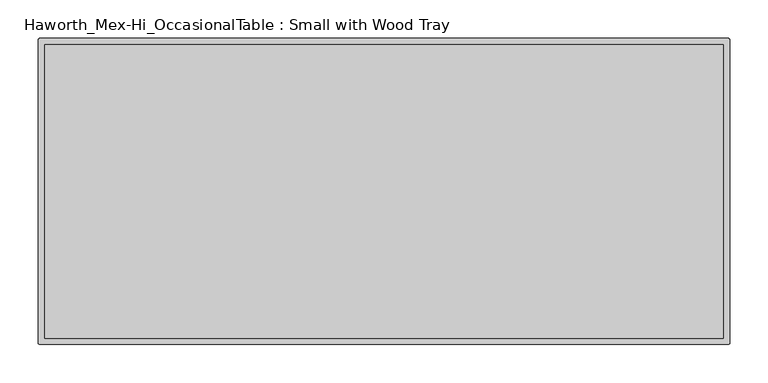
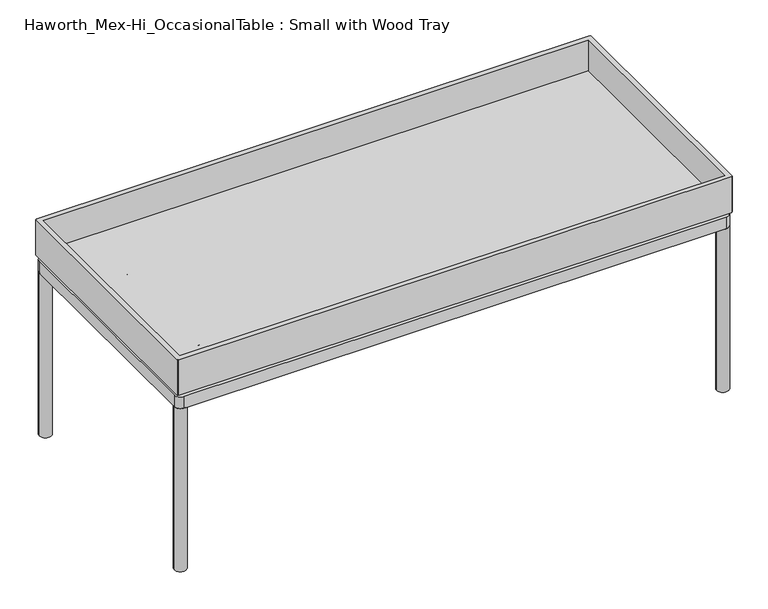
"""IFC4 building model written with IfcOpenShell, lengths in millimetres: furniture geometry, Haworth_Mex-Hi_OccasionalTable : Small with Wood Tray."""

from ifc_helpers import new_model, si_unit, point, frame, frame_2d, origin, place, context, project, spatial, polyline, circle_curve, trimmed, segment, composite_curve, outline, extrude, faceted_brep, source, transform, mapped, element, save
from ifc_brep_helpers import plane_surface, cylinder_surface, revolved_surface, advanced_brep


def haworth_mex_hi_occasionaltable_small_with_wood_tray_2f7329a7(model_context):
    return source(origin(), model_context, "Body", "SolidModel", [
        faceted_brep([(286.138652, -100.7058931, 312.629295), (-597.0292283, -100.7058931, 312.629295), (-597.0292283, -483.4941069, 312.629295), (286.138652, -483.4941069, 312.629295), (-604.0257852, -92.71, 304.6322333), (293.1352089, -92.71, 304.6322333), (293.1352089, -93.7095032, 304.6322333), (294.1347118, -93.7095032, 304.6322333), (294.1347118, -490.4904973, 304.6322333), (293.1352089, -490.4904973, 304.6322333), (293.1352089, -491.49, 304.6322333), (-604.0257852, -491.49, 304.6322333), (-604.0257852, -490.4904973, 304.6322333), (-605.0252882, -490.4904973, 304.6322333), (-605.0252882, -93.7095032, 304.6322333), (-604.0257852, -93.7095032, 304.6322333), (-605.0252882, -490.4904973, 365.5932511), (-604.0257852, -490.4904973, 365.5932511), (-604.0257852, -491.49, 365.5932511), (293.1352089, -491.49, 365.5932511), (293.1352089, -490.4904973, 365.5932511), (294.1347118, -490.4904973, 365.5932511), (294.1347118, -93.7095032, 365.5932511), (293.1352089, -93.7095032, 365.5932511), (293.1352089, -92.7098702, 365.5932511), (-604.0257852, -92.7100002, 365.5932511), (-604.0257852, -93.7095032, 365.5932511), (-605.0252882, -93.7095032, 365.5932511), (-597.0292283, -100.7058931, 365.5932511), (286.138652, -100.7058931, 365.5932511), (286.138652, -483.4941069, 365.5932511), (-597.0292283, -483.4941069, 365.5932511)], [[[0, 1, 2, 3]], [[4, 5, 6, 7, 8, 9, 10, 11, 12, 13, 14, 15]], [[16, 17, 18, 19, 20, 21, 22, 23, 24, 25, 26, 27], [28, 29, 30, 31]], [[29, 28, 1, 0]], [[30, 29, 0, 3]], [[31, 30, 3, 2]], [[28, 31, 2, 1]], [[4, 15, 26, 25]], [[26, 15, 14, 27]], [[27, 14, 13, 16]], [[16, 13, 12, 17]], [[17, 12, 11, 18]], [[18, 11, 10, 19]], [[19, 10, 9, 20]], [[20, 9, 8, 21]], [[21, 8, 7, 22]], [[22, 7, 6, 23]], [[23, 6, 5, 24]], [[24, 5, 4, 25]]]),
        extrude(outline(composite_curve([segment(trimmed(circle_curve(frame_2d((-593.0838099, -104.6599879)), 1.9413078), [point((-595.0251177, -104.6599879))], [point((-593.0838099, -102.7186802))], False, "CARTESIAN"), True, "CONTINUOUS"), segment(polyline([(-593.0838099, -102.7186802), (282.1309315, -102.7186802)]), True, "CONTINUOUS"), segment(trimmed(circle_curve(frame_2d((282.1309315, -104.7258089)), 2.0071288), [point((282.1309315, -102.7186802))], [point((284.1380603, -104.7258089))], False, "CARTESIAN"), True, "CONTINUOUS"), segment(polyline([(284.1380603, -104.7258089), (284.1380603, -479.5002885)]), True, "CONTINUOUS"), segment(trimmed(circle_curve(frame_2d((282.1363356, -479.5002885)), 2.0017246), [point((284.1380603, -479.5002885))], [point((282.1363356, -481.5020131))], False, "CARTESIAN"), True, "CONTINUOUS"), segment(polyline([(282.1363356, -481.5020131), (-595.0251177, -481.5020131), (-595.0251177, -104.6599879)]), True, "CONTINUOUS")], self_intersect=False)), frame((0.0, 0.0, 299.6294223), z_axis=(0.0, 0.0, 1.0), x_axis=(1.0, 0.0, 0.0)), (0.0, 0.0, 1.0), 5.002811),
        advanced_brep(
        [(267.1276141, -117.6971264, 299.6294223), (-578.0202636, -117.6971264, 299.6294223), (-580.0466715, -119.7235343, 299.6294223), (-580.0466715, -464.4689461, 299.6294223), (-577.992051, -466.5235669, 299.6294223), (267.1579775, -466.5237486, 299.6294223), (269.1599045, -464.5218208, 299.6294223), (269.1596141, -119.7291258, 299.6294223), (-565.0231699, -451.5072233, 299.6294223), (-565.0231699, -132.7136516, 299.6294223), (-532.7626081, -132.7136631, 299.6294223), (-532.7626081, -451.5072042, 299.6294223), (-502.5025365, -132.7136738, 299.6294223), (182.0869602, -132.7139167, 299.6294223), (182.0869602, -451.5072042, 299.6294223), (-502.5025365, -451.5072039, 299.6294223), (254.1361125, -451.506969, 299.6294223), (212.3470318, -451.506982, 299.6294223), (212.3470318, -132.7136631, 299.6294223), (254.1358218, -132.7139423, 299.6294223), (267.1276141, -117.6971264, 279.6326959), (269.1596141, -119.7291258, 279.6326959), (269.1599045, -464.5218208, 279.6326959), (267.1579775, -466.5237486, 279.6326959), (-577.992051, -466.5235669, 279.6326959), (-580.0466715, -464.4689461, 279.6326959), (-580.0466715, -119.7235343, 279.6326959), (-578.0202636, -117.6971264, 279.6326959), (254.1361125, -451.506969, 279.6326959), (254.1358218, -132.7139423, 279.6326959), (212.3470318, -132.7139275, 279.6326959), (212.3470318, -451.5072042, 279.6326959), (-565.0231699, -451.5072233, 279.6326959), (-532.7626081, -451.5072133, 279.6326959), (-532.7626081, -132.7136631, 279.6326959), (-565.0231699, -132.7136516, 279.6326959), (182.0869602, -132.7139167, 279.6326959), (-502.5025365, -132.7136738, 279.6326959), (-502.5025365, -451.5072042, 279.6326959), (182.0869602, -451.5069914, 279.6326959)],
        [
            (0, 1),
            (1, 2, circle_curve(frame((-578.0202636, -119.7235343, 299.6294223), z_axis=(0.0, 0.0, 1.0), x_axis=(1.0, 0.0, 0.0)), 2.0264079)),
            (2, 3),
            (3, 4, circle_curve(frame((-577.9920507, -464.4689461, 299.6294223), z_axis=(0.0, 0.0, 1.0), x_axis=(1.0, 0.0, 0.0)), 2.0546208)),
            (4, 5),
            (5, 6, circle_curve(frame((267.1579772, -464.5218214, 299.6294223), z_axis=(0.0, 0.0, 1.0), x_axis=(1.0, 0.0, 0.0)), 2.0019272)),
            (6, 7),
            (7, 0, circle_curve(frame((267.1276141, -119.7291264, 299.6294223), z_axis=(0.0, 0.0, 1.0), x_axis=(1.0, 0.0, 0.0)), 2.032)),
            (8, 9),
            (9, 10),
            (10, 11),
            (11, 8),
            (12, 13),
            (13, 14),
            (14, 15),
            (15, 12),
            (16, 17),
            (17, 18),
            (18, 19),
            (19, 16),
            (20, 21, circle_curve(frame((267.1276141, -119.7291264, 279.6326959), z_axis=(0.0, 0.0, -1.0), x_axis=(1.0, 0.0, 0.0)), 2.032)),
            (21, 22),
            (22, 23, circle_curve(frame((267.1579772, -464.5218214, 279.6326959), z_axis=(0.0, 0.0, -1.0), x_axis=(1.0, 0.0, 0.0)), 2.0019272)),
            (23, 24),
            (24, 25, circle_curve(frame((-577.9920507, -464.4689461, 279.6326959), z_axis=(0.0, 0.0, -1.0), x_axis=(1.0, 0.0, 0.0)), 2.0546208)),
            (25, 26),
            (26, 27, circle_curve(frame((-578.0202636, -119.7235343, 279.6326959), z_axis=(0.0, 0.0, -1.0), x_axis=(1.0, 0.0, 0.0)), 2.0264079)),
            (27, 20),
            (28, 29),
            (29, 30),
            (30, 31),
            (31, 28),
            (32, 33),
            (33, 34),
            (34, 35),
            (35, 32),
            (36, 37),
            (37, 38),
            (38, 39),
            (39, 36),
            (0, 20),
            (27, 1),
            (26, 2),
            (25, 3),
            (24, 4),
            (23, 5),
            (22, 6),
            (21, 7),
            (8, 32),
            (35, 9),
            (12, 37),
            (36, 13),
            (34, 10),
            (29, 19),
            (18, 30),
            (28, 16),
            (14, 39),
            (38, 15),
            (11, 33),
            (31, 17),
        ],
        [
            plane_surface(frame((-578.0202636, -117.6971264, 299.6294223), z_axis=(0.0, 0.0, 1.0), x_axis=(-1.0, 0.0, 0.0))),
            plane_surface(frame((-578.0202636, -117.6971264, 279.6326959), z_axis=(0.0, 0.0, -1.0), x_axis=(1.0, 0.0, 0.0))),
            plane_surface(frame((267.1276141, -117.6971264, 299.6294223), z_axis=(0.0, 1.0, 0.0), x_axis=(0.0, 0.0, -1.0))),
            cylinder_surface(frame((-578.0202636, -119.7235343, 279.6326959), z_axis=(0.0, 0.0, 1.0), x_axis=(1.0, 0.0, 0.0)), 2.0264079),
            plane_surface(frame((-580.0466715, -119.7235343, 299.6294223), z_axis=(-1.0, 0.0, 0.0), x_axis=(0.0, 0.0, -1.0))),
            cylinder_surface(frame((-577.9920507, -464.4689461, 279.6326959), z_axis=(0.0, 0.0, 1.0), x_axis=(1.0, 0.0, 0.0)), 2.0546208),
            plane_surface(frame((-577.992051, -466.5235669, 299.6294223), z_axis=(-2.1495107938605697e-07, -0.9999999999999769, 0.0), x_axis=(0.0, 0.0, -1.0))),
            cylinder_surface(frame((267.1579772, -464.5218214, 279.6326959), z_axis=(0.0, 0.0, 1.0), x_axis=(1.0, 0.0, 0.0)), 2.0019272),
            plane_surface(frame((269.1599045, -464.5218208, 299.6294223), z_axis=(0.9999999999996454, 8.421789670458425e-07, 0.0), x_axis=(0.0, 0.0, -1.0))),
            cylinder_surface(frame((267.1276141, -119.7291264, 279.6326959), z_axis=(0.0, 0.0, 1.0), x_axis=(1.0, 0.0, 0.0)), 2.032),
            plane_surface(frame((-565.0231699, -451.5072233, 299.6294223), z_axis=(1.0, 0.0, 0.0), x_axis=(0.0, 0.0, -1.0))),
            plane_surface(frame((-565.0231699, -132.7136516, 299.6294223), z_axis=(-3.5485165641990404e-07, -0.999999999999937, 0.0), x_axis=(0.0, 0.0, -1.0))),
            plane_surface(frame((254.1358218, -132.7139423, 299.6294223), z_axis=(-0.9999999999995843, -9.118139700497618e-07, 0.0), x_axis=(0.0, 0.0, -1.0))),
            plane_surface(frame((254.1361125, -451.506969, 299.6294223), z_axis=(-3.104950969437019e-07, 0.9999999999999518, 0.0), x_axis=(0.0, 0.0, -1.0))),
            plane_surface(frame((-532.7626081, -132.7136631, 299.6294223), z_axis=(-1.0, 0.0, 0.0), x_axis=(0.0, 0.0, -1.0))),
            plane_surface(frame((-502.5025365, -451.5072042, 299.6294223), z_axis=(1.0, 0.0, 0.0), x_axis=(0.0, 0.0, -1.0))),
            plane_surface(frame((182.0869602, -132.7136631, 299.6294223), z_axis=(-1.0, 0.0, 0.0), x_axis=(0.0, 0.0, -1.0))),
            plane_surface(frame((212.3470318, -451.5072042, 299.6294223), z_axis=(1.0, 0.0, 0.0), x_axis=(0.0, 0.0, -1.0))),
        ],
        [
            (0, [[1, 2, 3, 4, 5, 6, 7, 8], [9, 10, 11, 12], [13, 14, 15, 16], [17, 18, 19, 20]]),
            (1, [[21, 22, 23, 24, 25, 26, 27, 28], [29, 30, 31, 32], [33, 34, 35, 36], [37, 38, 39, 40]]),
            (2, [[-1, 41, -28, 42]]),
            (3, [[-2, -42, -27, 43]]),
            (4, [[-3, -43, -26, 44]]),
            (5, [[-4, -44, -25, 45]]),
            (6, [[-5, -45, -24, 46]]),
            (7, [[-6, -46, -23, 47]]),
            (8, [[-7, -47, -22, 48]]),
            (9, [[-8, -48, -21, -41]]),
            (10, [[-9, 49, -36, 50]]),
            (11, [[-13, 51, -37, 52]]),
            (11, [[-50, -35, 53, -10]]),
            (11, [[54, -19, 55, -30]]),
            (12, [[-20, -54, -29, 56]]),
            (13, [[-15, 57, -39, 58]]),
            (13, [[-49, -12, 59, -33]]),
            (13, [[-56, -32, 60, -17]]),
            (14, [[-11, -53, -34, -59]]),
            (15, [[-16, -58, -38, -51]]),
            (16, [[-14, -52, -40, -57]]),
            (17, [[-18, -60, -31, -55]]),
        ],
    ),
        extrude(outline(composite_curve([segment(trimmed(circle_curve(frame_2d((-534.0870283, -218.2183995)), 0.8405923), [point((-533.7147282, -218.9720493))], [point((-534.7862746, -218.6849293))], False, "CARTESIAN"), True, "CONTINUOUS"), segment(trimmed(circle_curve(frame_2d((-515.5508304, -202.6946527)), 25.0138214), [point((-534.7862746, -218.6849293))], [point((-539.0165383, -211.3578977))], False, "CARTESIAN"), True, "CONTINUOUS"), segment(trimmed(circle_curve(frame_2d((-538.0414872, -211.046606)), 1.0235365), [point((-539.0165383, -211.3578977))], [point((-538.6155102, -210.1991836))], False, "CARTESIAN"), True, "CONTINUOUS"), segment(trimmed(circle_curve(frame_2d((-558.9358484, -180.2005415)), 36.2330605), [point((-538.6155102, -210.1991836))], [point((-522.7960931, -182.7991496))], True, "CARTESIAN"), True, "CONTINUOUS"), segment(trimmed(circle_curve(frame_2d((-521.7765383, -182.8724601)), 1.0221871), [point((-522.7960931, -182.7991496))], [point((-521.9854206, -181.8718429))], False, "CARTESIAN"), True, "CONTINUOUS"), segment(trimmed(circle_curve(frame_2d((-517.7628586, -202.0993497)), 20.6635442), [point((-521.9854206, -181.8718429))], [point((-513.5402966, -181.8718429))], False, "CARTESIAN"), True, "CONTINUOUS"), segment(trimmed(circle_curve(frame_2d((-513.7492648, -182.872872)), 1.0226079), [point((-513.5402966, -181.8718429))], [point((-512.7292996, -182.7994026))], False, "CARTESIAN"), True, "CONTINUOUS"), segment(trimmed(circle_curve(frame_2d((-477.3402021, -180.6341833)), 35.4552732), [point((-512.7292996, -182.7994026))], [point((-496.9098857, -210.1994311))], True, "CARTESIAN"), True, "CONTINUOUS"), segment(trimmed(circle_curve(frame_2d((-497.4226157, -211.0249738)), 0.971809), [point((-496.9098857, -210.1994311))], [point((-496.5128177, -211.366559))], False, "CARTESIAN"), True, "CONTINUOUS"), segment(trimmed(circle_curve(frame_2d((-520.6585547, -202.3010012)), 25.79149), [point((-496.5128177, -211.366559))], [point((-500.7346829, -218.6790439))], False, "CARTESIAN"), True, "CONTINUOUS"), segment(trimmed(circle_curve(frame_2d((-501.4793666, -218.0668907)), 0.9639946), [point((-500.7346829, -218.6790439))], [point((-501.810989, -218.9720493))], False, "CARTESIAN"), True, "CONTINUOUS"), segment(trimmed(circle_curve(frame_2d((-517.7628586, -251.2635341)), 36.0166924), [point((-501.810989, -218.9720493))], [point((-533.7147282, -218.9720493))], True, "CARTESIAN"), True, "CONTINUOUS")], self_intersect=False)), frame((0.0, 0.0, 262.0888903), z_axis=(0.0, 0.0, 1.0), x_axis=(1.0, 0.0, 0.0)), (0.0, 0.0, 1.0), 9.7910462),
        advanced_brep(
        [(-514.9911897, -203.9720928, 306.9117903), (-520.5342368, -203.9720928, 306.9117903), (-513.770496, -203.9720928, 305.6617757), (-521.7549305, -203.9720928, 305.6617757)],
        [
            (0, 1, circle_curve(frame((-517.7627133, -203.9720928, 306.9117903), z_axis=(0.0, 0.0, 1.0), x_axis=(1.0, 0.0, 0.0)), 2.7715235)),
            (1, 0, circle_curve(frame((-517.7627133, -203.9720928, 306.9117903), z_axis=(0.0, 0.0, 1.0), x_axis=(-1.0, 0.0, 0.0)), 2.7715235)),
            (2, 3, circle_curve(frame((-517.7627133, -203.9720928, 305.6617757), z_axis=(0.0, 0.0, -1.0), x_axis=(-1.0, 0.0, 0.0)), 3.9922173)),
            (3, 2, circle_curve(frame((-517.7627133, -203.9720928, 305.6617757), z_axis=(0.0, 0.0, -1.0), x_axis=(1.0, 0.0, 0.0)), 3.9922173)),
            (2, 0),
            (1, 3),
        ],
        [
            plane_surface(frame((-517.7627133, -203.9720928, 306.9117903), z_axis=(0.0, 0.0, 1.0), x_axis=(0.0, 1.0, 0.0))),
            plane_surface(frame((-517.7627133, -203.9720928, 305.6617757), z_axis=(0.0, 0.0, -1.0), x_axis=(0.0, 1.0, 0.0))),
            revolved_surface(polyline([(-520.5342367626376, -203.9720928, 306.9117903), (-521.7549305, -203.9720928, 305.6617757)]), (-517.7627133, -203.9720928, 309.7498853), (0.0, 0.0, -1.0)),
            revolved_surface(polyline([(-514.9911897679392, -203.9720928, 306.9117903), (-513.770496, -203.9720928, 305.6617757)]), (-517.7627133, -203.9720928, 309.7498853), (0.0, 0.0, -1.0)),
        ],
        [
            (0, [[1, 2]]),
            (1, [[3, 4]]),
            (2, [[-3, 5, -2, 6]]),
            (3, [[-4, -6, -1, -5]]),
        ],
    ),
        extrude(outline(composite_curve([segment(trimmed(circle_curve(frame_2d((-517.7627133, -203.9720928)), 3.9922173), [point((-513.770496, -203.9720928))], [point((-521.7549305, -203.9720928))], False, "CARTESIAN"), True, "CONTINUOUS"), segment(trimmed(circle_curve(frame_2d((-517.7627133, -203.9720928)), 3.9922173), [point((-521.7549305, -203.9720928))], [point((-513.770496, -203.9720928))], False, "CARTESIAN"), True, "CONTINUOUS")], self_intersect=False)), frame((0.0, 0.0, 267.0639864), z_axis=(0.0, 0.0, 1.0), x_axis=(1.0, 0.0, 0.0)), (0.0, 0.0, 1.0), 38.5901772),
        extrude(outline(composite_curve([segment(trimmed(circle_curve(frame_2d((-517.7627133, -203.9720928)), 9.4525726), [point((-508.3101406, -203.9720928))], [point((-527.2152859, -203.9720928))], False, "CARTESIAN"), True, "CONTINUOUS"), segment(trimmed(circle_curve(frame_2d((-517.7627133, -203.9720928)), 9.4525726), [point((-527.2152859, -203.9720928))], [point((-508.3101406, -203.9720928))], False, "CARTESIAN"), True, "CONTINUOUS")], self_intersect=False)), frame((0.0, 0.0, 296.9633605), z_axis=(0.0, 0.0, 1.0), x_axis=(1.0, 0.0, 0.0)), (0.0, 0.0, 1.0), 5.0787766),
        extrude(outline(composite_curve([segment(trimmed(circle_curve(frame_2d((-517.7627133, -203.9720928)), 9.4525726), [point((-508.3101406, -203.9720928))], [point((-527.2152859, -203.9720928))], False, "CARTESIAN"), True, "CONTINUOUS"), segment(trimmed(circle_curve(frame_2d((-517.7627133, -203.9720928)), 9.4525726), [point((-527.2152859, -203.9720928))], [point((-508.3101406, -203.9720928))], False, "CARTESIAN"), True, "CONTINUOUS")], self_intersect=False)), frame((0.0, 0.0, 271.8799365), z_axis=(0.0, 0.0, 1.0), x_axis=(1.0, 0.0, 0.0)), (0.0, 0.0, 1.0), 5.0787766),
        extrude(outline(composite_curve([segment(trimmed(circle_curve(frame_2d((-534.0870283, -418.3687649)), 0.8405923), [point((-533.7147282, -419.1224147))], [point((-534.7862746, -418.8352947))], False, "CARTESIAN"), True, "CONTINUOUS"), segment(trimmed(circle_curve(frame_2d((-515.5508304, -402.8450181)), 25.0138214), [point((-534.7862746, -418.8352947))], [point((-539.0165383, -411.5082631))], False, "CARTESIAN"), True, "CONTINUOUS"), segment(trimmed(circle_curve(frame_2d((-538.0414872, -411.1969714)), 1.0235365), [point((-539.0165383, -411.5082631))], [point((-538.6155102, -410.349549))], False, "CARTESIAN"), True, "CONTINUOUS"), segment(trimmed(circle_curve(frame_2d((-558.9358484, -380.3509069)), 36.2330605), [point((-538.6155102, -410.349549))], [point((-522.7960931, -382.949515))], True, "CARTESIAN"), True, "CONTINUOUS"), segment(trimmed(circle_curve(frame_2d((-521.7765383, -383.0228255)), 1.0221871), [point((-522.7960931, -382.949515))], [point((-521.9854206, -382.0222083))], False, "CARTESIAN"), True, "CONTINUOUS"), segment(trimmed(circle_curve(frame_2d((-517.7628586, -402.2497151)), 20.6635442), [point((-521.9854206, -382.0222083))], [point((-513.5402966, -382.0222083))], False, "CARTESIAN"), True, "CONTINUOUS"), segment(trimmed(circle_curve(frame_2d((-513.7492648, -383.0232374)), 1.0226079), [point((-513.5402966, -382.0222083))], [point((-512.7292996, -382.949768))], False, "CARTESIAN"), True, "CONTINUOUS"), segment(trimmed(circle_curve(frame_2d((-477.3402021, -380.7845487)), 35.4552732), [point((-512.7292996, -382.949768))], [point((-496.9098857, -410.3497965))], True, "CARTESIAN"), True, "CONTINUOUS"), segment(trimmed(circle_curve(frame_2d((-497.4226157, -411.1753392)), 0.971809), [point((-496.9098857, -410.3497965))], [point((-496.5128177, -411.5169244))], False, "CARTESIAN"), True, "CONTINUOUS"), segment(trimmed(circle_curve(frame_2d((-520.6585547, -402.4513666)), 25.79149), [point((-496.5128177, -411.5169244))], [point((-500.7346829, -418.8294093))], False, "CARTESIAN"), True, "CONTINUOUS"), segment(trimmed(circle_curve(frame_2d((-501.4793666, -418.2172561)), 0.9639946), [point((-500.7346829, -418.8294093))], [point((-501.810989, -419.1224147))], False, "CARTESIAN"), True, "CONTINUOUS"), segment(trimmed(circle_curve(frame_2d((-517.7628586, -451.4138995)), 36.0166924), [point((-501.810989, -419.1224147))], [point((-533.7147282, -419.1224147))], True, "CARTESIAN"), True, "CONTINUOUS")], self_intersect=False)), frame((0.0, 0.0, 262.0888903), z_axis=(0.0, 0.0, 1.0), x_axis=(1.0, 0.0, 0.0)), (0.0, 0.0, 1.0), 9.7910462),
        advanced_brep(
        [(-514.9911897, -404.1224582, 306.9117903), (-520.5342368, -404.1224582, 306.9117903), (-513.770496, -404.1224582, 305.6617757), (-521.7549305, -404.1224582, 305.6617757)],
        [
            (0, 1, circle_curve(frame((-517.7627133, -404.1224582, 306.9117903), z_axis=(0.0, 0.0, 1.0), x_axis=(1.0, 0.0, 0.0)), 2.7715235)),
            (1, 0, circle_curve(frame((-517.7627133, -404.1224582, 306.9117903), z_axis=(0.0, 0.0, 1.0), x_axis=(-1.0, 0.0, 0.0)), 2.7715235)),
            (2, 3, circle_curve(frame((-517.7627133, -404.1224582, 305.6617757), z_axis=(0.0, 0.0, -1.0), x_axis=(-1.0, 0.0, 0.0)), 3.9922173)),
            (3, 2, circle_curve(frame((-517.7627133, -404.1224582, 305.6617757), z_axis=(0.0, 0.0, -1.0), x_axis=(1.0, 0.0, 0.0)), 3.9922173)),
            (2, 0),
            (1, 3),
        ],
        [
            plane_surface(frame((-517.7627133, -404.1224582, 306.9117903), z_axis=(0.0, 0.0, 1.0), x_axis=(0.0, 1.0, 0.0))),
            plane_surface(frame((-517.7627133, -404.1224582, 305.6617757), z_axis=(0.0, 0.0, -1.0), x_axis=(0.0, 1.0, 0.0))),
            revolved_surface(polyline([(-520.5342367626376, -404.1224582, 306.9117903), (-521.7549305, -404.1224582, 305.6617757)]), (-517.7627133, -404.1224582, 309.7498853), (0.0, 0.0, -1.0)),
            revolved_surface(polyline([(-514.9911897679392, -404.1224582, 306.9117903), (-513.770496, -404.1224582, 305.6617757)]), (-517.7627133, -404.1224582, 309.7498853), (0.0, 0.0, -1.0)),
        ],
        [
            (0, [[1, 2]]),
            (1, [[3, 4]]),
            (2, [[-3, 5, -2, 6]]),
            (3, [[-4, -6, -1, -5]]),
        ],
    ),
        extrude(outline(composite_curve([segment(trimmed(circle_curve(frame_2d((-517.7627133, -404.1224582)), 3.9922173), [point((-513.770496, -404.1224582))], [point((-521.7549305, -404.1224582))], False, "CARTESIAN"), True, "CONTINUOUS"), segment(trimmed(circle_curve(frame_2d((-517.7627133, -404.1224582)), 3.9922173), [point((-521.7549305, -404.1224582))], [point((-513.770496, -404.1224582))], False, "CARTESIAN"), True, "CONTINUOUS")], self_intersect=False)), frame((0.0, 0.0, 267.0639864), z_axis=(0.0, 0.0, 1.0), x_axis=(1.0, 0.0, 0.0)), (0.0, 0.0, 1.0), 38.5901772),
        extrude(outline(composite_curve([segment(trimmed(circle_curve(frame_2d((-517.7627133, -404.1224582)), 9.4525726), [point((-508.3101406, -404.1224582))], [point((-527.2152859, -404.1224582))], False, "CARTESIAN"), True, "CONTINUOUS"), segment(trimmed(circle_curve(frame_2d((-517.7627133, -404.1224582)), 9.4525726), [point((-527.2152859, -404.1224582))], [point((-508.3101406, -404.1224582))], False, "CARTESIAN"), True, "CONTINUOUS")], self_intersect=False)), frame((0.0, 0.0, 296.9633605), z_axis=(0.0, 0.0, 1.0), x_axis=(1.0, 0.0, 0.0)), (0.0, 0.0, 1.0), 5.0787766),
        extrude(outline(composite_curve([segment(trimmed(circle_curve(frame_2d((-517.7627133, -404.1224582)), 9.4525726), [point((-508.3101406, -404.1224582))], [point((-527.2152859, -404.1224582))], False, "CARTESIAN"), True, "CONTINUOUS"), segment(trimmed(circle_curve(frame_2d((-517.7627133, -404.1224582)), 9.4525726), [point((-527.2152859, -404.1224582))], [point((-508.3101406, -404.1224582))], False, "CARTESIAN"), True, "CONTINUOUS")], self_intersect=False)), frame((0.0, 0.0, 271.8799365), z_axis=(0.0, 0.0, 1.0), x_axis=(1.0, 0.0, 0.0)), (0.0, 0.0, 1.0), 5.0787766),
        extrude(outline(composite_curve([segment(trimmed(circle_curve(frame_2d((197.3472823, -451.4138995)), 36.0166924), [point((213.2991519, -419.1224147))], [point((181.3954127, -419.1224147))], True, "CARTESIAN"), True, "CONTINUOUS"), segment(trimmed(circle_curve(frame_2d((181.0637903, -418.2172561)), 0.9639946), [point((181.3954127, -419.1224147))], [point((180.3191066, -418.8294093))], False, "CARTESIAN"), True, "CONTINUOUS"), segment(trimmed(circle_curve(frame_2d((200.2429784, -402.4513666)), 25.79149), [point((180.3191066, -418.8294093))], [point((176.0972414, -411.5169244))], False, "CARTESIAN"), True, "CONTINUOUS"), segment(trimmed(circle_curve(frame_2d((177.0070394, -411.1753392)), 0.971809), [point((176.0972414, -411.5169244))], [point((176.4943094, -410.3497965))], False, "CARTESIAN"), True, "CONTINUOUS"), segment(trimmed(circle_curve(frame_2d((156.9246258, -380.7845487)), 35.4552732), [point((176.4943094, -410.3497965))], [point((192.3137233, -382.949768))], True, "CARTESIAN"), True, "CONTINUOUS"), segment(trimmed(circle_curve(frame_2d((193.3336885, -383.0232374)), 1.0226079), [point((192.3137233, -382.949768))], [point((193.1247203, -382.0222083))], False, "CARTESIAN"), True, "CONTINUOUS"), segment(trimmed(circle_curve(frame_2d((197.3472823, -402.2497151)), 20.6635442), [point((193.1247203, -382.0222083))], [point((201.5698443, -382.0222083))], False, "CARTESIAN"), True, "CONTINUOUS"), segment(trimmed(circle_curve(frame_2d((201.360962, -383.0228255)), 1.0221871), [point((201.5698443, -382.0222083))], [point((202.3805168, -382.949515))], False, "CARTESIAN"), True, "CONTINUOUS"), segment(trimmed(circle_curve(frame_2d((238.5202721, -380.3509069)), 36.2330605), [point((202.3805168, -382.949515))], [point((218.1999339, -410.349549))], True, "CARTESIAN"), True, "CONTINUOUS"), segment(trimmed(circle_curve(frame_2d((217.6259109, -411.1969714)), 1.0235365), [point((218.1999339, -410.349549))], [point((218.600962, -411.5082631))], False, "CARTESIAN"), True, "CONTINUOUS"), segment(trimmed(circle_curve(frame_2d((195.135254, -402.8450181)), 25.0138214), [point((218.600962, -411.5082631))], [point((214.3706983, -418.8352947))], False, "CARTESIAN"), True, "CONTINUOUS"), segment(trimmed(circle_curve(frame_2d((213.671452, -418.3687649)), 0.8405923), [point((214.3706983, -418.8352947))], [point((213.2991519, -419.1224147))], False, "CARTESIAN"), True, "CONTINUOUS")], self_intersect=False)), frame((0.0, 0.0, 262.0888903), z_axis=(0.0, 0.0, 1.0), x_axis=(1.0, 0.0, 0.0)), (0.0, 0.0, 1.0), 9.7910462),
        advanced_brep(
        [(194.5756134, -404.1224582, 306.9117903), (200.1186605, -404.1224582, 306.9117903), (193.3549197, -404.1224582, 305.6617757), (201.3393542, -404.1224582, 305.6617757)],
        [
            (0, 1, circle_curve(frame((197.347137, -404.1224582, 306.9117903), z_axis=(0.0, 0.0, 1.0), x_axis=(-1.0, 0.0, 0.0)), 2.7715235)),
            (1, 0, circle_curve(frame((197.347137, -404.1224582, 306.9117903), z_axis=(0.0, 0.0, 1.0), x_axis=(1.0, 0.0, 0.0)), 2.7715235)),
            (2, 3, circle_curve(frame((197.347137, -404.1224582, 305.6617757), z_axis=(0.0, 0.0, -1.0), x_axis=(1.0, 0.0, 0.0)), 3.9922173)),
            (3, 2, circle_curve(frame((197.347137, -404.1224582, 305.6617757), z_axis=(0.0, 0.0, -1.0), x_axis=(-1.0, 0.0, 0.0)), 3.9922173)),
            (3, 1),
            (0, 2),
        ],
        [
            plane_surface(frame((197.347137, -404.1224582, 306.9117903), z_axis=(0.0, 0.0, 1.0), x_axis=(0.0, -1.0, 0.0))),
            plane_surface(frame((197.347137, -404.1224582, 305.6617757), z_axis=(0.0, 0.0, -1.0), x_axis=(0.0, -1.0, 0.0))),
            revolved_surface(polyline([(194.57561346793923, -404.1224582, 306.9117903), (193.3549197, -404.1224582, 305.6617757)]), (197.347137, -404.1224582, 309.7498853), (0.0, 0.0, -1.0)),
            revolved_surface(polyline([(200.11866046263762, -404.1224582, 306.9117903), (201.3393542, -404.1224582, 305.6617757)]), (197.347137, -404.1224582, 309.7498853), (0.0, 0.0, -1.0)),
        ],
        [
            (0, [[1, 2]]),
            (1, [[3, 4]]),
            (2, [[-4, 5, -1, 6]]),
            (3, [[-3, -6, -2, -5]]),
        ],
    ),
        extrude(outline(composite_curve([segment(trimmed(circle_curve(frame_2d((197.347137, -404.1224582)), 3.9922173), [point((193.3549197, -404.1224582))], [point((201.3393542, -404.1224582))], False, "CARTESIAN"), True, "CONTINUOUS"), segment(trimmed(circle_curve(frame_2d((197.347137, -404.1224582)), 3.9922173), [point((201.3393542, -404.1224582))], [point((193.3549197, -404.1224582))], False, "CARTESIAN"), True, "CONTINUOUS")], self_intersect=False)), frame((0.0, 0.0, 267.0639864), z_axis=(0.0, 0.0, 1.0), x_axis=(1.0, 0.0, 0.0)), (0.0, 0.0, 1.0), 38.5901772),
        extrude(outline(composite_curve([segment(trimmed(circle_curve(frame_2d((197.347137, -404.1224582)), 9.4525726), [point((187.8945643, -404.1224582))], [point((206.7997096, -404.1224582))], False, "CARTESIAN"), True, "CONTINUOUS"), segment(trimmed(circle_curve(frame_2d((197.347137, -404.1224582)), 9.4525726), [point((206.7997096, -404.1224582))], [point((187.8945643, -404.1224582))], False, "CARTESIAN"), True, "CONTINUOUS")], self_intersect=False)), frame((0.0, 0.0, 296.9633605), z_axis=(0.0, 0.0, 1.0), x_axis=(1.0, 0.0, 0.0)), (0.0, 0.0, 1.0), 5.0787766),
        extrude(outline(composite_curve([segment(trimmed(circle_curve(frame_2d((197.347137, -404.1224582)), 9.4525726), [point((187.8945643, -404.1224582))], [point((206.7997096, -404.1224582))], False, "CARTESIAN"), True, "CONTINUOUS"), segment(trimmed(circle_curve(frame_2d((197.347137, -404.1224582)), 9.4525726), [point((206.7997096, -404.1224582))], [point((187.8945643, -404.1224582))], False, "CARTESIAN"), True, "CONTINUOUS")], self_intersect=False)), frame((0.0, 0.0, 271.8799365), z_axis=(0.0, 0.0, 1.0), x_axis=(1.0, 0.0, 0.0)), (0.0, 0.0, 1.0), 5.0787766),
        extrude(outline(composite_curve([segment(trimmed(circle_curve(frame_2d((197.3472823, -251.2635341)), 36.0166924), [point((213.2991519, -218.9720493))], [point((181.3954127, -218.9720493))], True, "CARTESIAN"), True, "CONTINUOUS"), segment(trimmed(circle_curve(frame_2d((181.0637903, -218.0668907)), 0.9639946), [point((181.3954127, -218.9720493))], [point((180.3191066, -218.6790439))], False, "CARTESIAN"), True, "CONTINUOUS"), segment(trimmed(circle_curve(frame_2d((200.2429784, -202.3010012)), 25.79149), [point((180.3191066, -218.6790439))], [point((176.0972414, -211.366559))], False, "CARTESIAN"), True, "CONTINUOUS"), segment(trimmed(circle_curve(frame_2d((177.0070394, -211.0249738)), 0.971809), [point((176.0972414, -211.366559))], [point((176.4943094, -210.1994311))], False, "CARTESIAN"), True, "CONTINUOUS"), segment(trimmed(circle_curve(frame_2d((156.9246258, -180.6341833)), 35.4552732), [point((176.4943094, -210.1994311))], [point((192.3137233, -182.7994026))], True, "CARTESIAN"), True, "CONTINUOUS"), segment(trimmed(circle_curve(frame_2d((193.3336885, -182.872872)), 1.0226079), [point((192.3137233, -182.7994026))], [point((193.1247203, -181.8718429))], False, "CARTESIAN"), True, "CONTINUOUS"), segment(trimmed(circle_curve(frame_2d((197.3472823, -202.0993497)), 20.6635442), [point((193.1247203, -181.8718429))], [point((201.5698443, -181.8718429))], False, "CARTESIAN"), True, "CONTINUOUS"), segment(trimmed(circle_curve(frame_2d((201.360962, -182.8724601)), 1.0221871), [point((201.5698443, -181.8718429))], [point((202.3805168, -182.7991496))], False, "CARTESIAN"), True, "CONTINUOUS"), segment(trimmed(circle_curve(frame_2d((238.5202721, -180.2005415)), 36.2330605), [point((202.3805168, -182.7991496))], [point((218.1999339, -210.1991836))], True, "CARTESIAN"), True, "CONTINUOUS"), segment(trimmed(circle_curve(frame_2d((217.6259109, -211.046606)), 1.0235365), [point((218.1999339, -210.1991836))], [point((218.600962, -211.3578977))], False, "CARTESIAN"), True, "CONTINUOUS"), segment(trimmed(circle_curve(frame_2d((195.135254, -202.6946527)), 25.0138214), [point((218.600962, -211.3578977))], [point((214.3706983, -218.6849293))], False, "CARTESIAN"), True, "CONTINUOUS"), segment(trimmed(circle_curve(frame_2d((213.671452, -218.2183995)), 0.8405923), [point((214.3706983, -218.6849293))], [point((213.2991519, -218.9720493))], False, "CARTESIAN"), True, "CONTINUOUS")], self_intersect=False)), frame((0.0, 0.0, 262.0888903), z_axis=(0.0, 0.0, 1.0), x_axis=(1.0, 0.0, 0.0)), (0.0, 0.0, 1.0), 9.7910462),
        advanced_brep(
        [(194.5756134, -203.9720928, 306.9117903), (200.1186605, -203.9720928, 306.9117903), (193.3549197, -203.9720928, 305.6617757), (201.3393542, -203.9720928, 305.6617757)],
        [
            (0, 1, circle_curve(frame((197.347137, -203.9720928, 306.9117903), z_axis=(0.0, 0.0, 1.0), x_axis=(-1.0, 0.0, 0.0)), 2.7715235)),
            (1, 0, circle_curve(frame((197.347137, -203.9720928, 306.9117903), z_axis=(0.0, 0.0, 1.0), x_axis=(1.0, 0.0, 0.0)), 2.7715235)),
            (2, 3, circle_curve(frame((197.347137, -203.9720928, 305.6617757), z_axis=(0.0, 0.0, -1.0), x_axis=(1.0, 0.0, 0.0)), 3.9922173)),
            (3, 2, circle_curve(frame((197.347137, -203.9720928, 305.6617757), z_axis=(0.0, 0.0, -1.0), x_axis=(-1.0, 0.0, 0.0)), 3.9922173)),
            (3, 1),
            (0, 2),
        ],
        [
            plane_surface(frame((197.347137, -203.9720928, 306.9117903), z_axis=(0.0, 0.0, 1.0), x_axis=(0.0, -1.0, 0.0))),
            plane_surface(frame((197.347137, -203.9720928, 305.6617757), z_axis=(0.0, 0.0, -1.0), x_axis=(0.0, -1.0, 0.0))),
            revolved_surface(polyline([(194.57561346793923, -203.9720928, 306.9117903), (193.3549197, -203.9720928, 305.6617757)]), (197.347137, -203.9720928, 309.7498853), (0.0, 0.0, -1.0)),
            revolved_surface(polyline([(200.11866046263762, -203.9720928, 306.9117903), (201.3393542, -203.9720928, 305.6617757)]), (197.347137, -203.9720928, 309.7498853), (0.0, 0.0, -1.0)),
        ],
        [
            (0, [[1, 2]]),
            (1, [[3, 4]]),
            (2, [[-4, 5, -1, 6]]),
            (3, [[-3, -6, -2, -5]]),
        ],
    ),
        extrude(outline(composite_curve([segment(trimmed(circle_curve(frame_2d((197.347137, -203.9720928)), 3.9922173), [point((193.3549197, -203.9720928))], [point((201.3393542, -203.9720928))], False, "CARTESIAN"), True, "CONTINUOUS"), segment(trimmed(circle_curve(frame_2d((197.347137, -203.9720928)), 3.9922173), [point((201.3393542, -203.9720928))], [point((193.3549197, -203.9720928))], False, "CARTESIAN"), True, "CONTINUOUS")], self_intersect=False)), frame((0.0, 0.0, 267.0639864), z_axis=(0.0, 0.0, 1.0), x_axis=(1.0, 0.0, 0.0)), (0.0, 0.0, 1.0), 38.5901772),
        extrude(outline(composite_curve([segment(trimmed(circle_curve(frame_2d((197.347137, -203.9720928)), 9.4525726), [point((187.8945643, -203.9720928))], [point((206.7997096, -203.9720928))], False, "CARTESIAN"), True, "CONTINUOUS"), segment(trimmed(circle_curve(frame_2d((197.347137, -203.9720928)), 9.4525726), [point((206.7997096, -203.9720928))], [point((187.8945643, -203.9720928))], False, "CARTESIAN"), True, "CONTINUOUS")], self_intersect=False)), frame((0.0, 0.0, 296.9633605), z_axis=(0.0, 0.0, 1.0), x_axis=(1.0, 0.0, 0.0)), (0.0, 0.0, 1.0), 5.0787766),
        extrude(outline(composite_curve([segment(trimmed(circle_curve(frame_2d((197.347137, -203.9720928)), 9.4525726), [point((187.8945643, -203.9720928))], [point((206.7997096, -203.9720928))], False, "CARTESIAN"), True, "CONTINUOUS"), segment(trimmed(circle_curve(frame_2d((197.347137, -203.9720928)), 9.4525726), [point((206.7997096, -203.9720928))], [point((187.8945643, -203.9720928))], False, "CARTESIAN"), True, "CONTINUOUS")], self_intersect=False)), frame((0.0, 0.0, 271.8799365), z_axis=(0.0, 0.0, 1.0), x_axis=(1.0, 0.0, 0.0)), (0.0, 0.0, 1.0), 5.0787766),
        extrude(outline(composite_curve([segment(trimmed(circle_curve(frame_2d((284.1383509, -481.5020858)), 9.92796), [point((274.2103909, -481.5020858))], [point((294.066311, -481.5020858))], False, "CARTESIAN"), True, "CONTINUOUS"), segment(trimmed(circle_curve(frame_2d((284.1383509, -481.5020858)), 9.92796), [point((294.066311, -481.5020858))], [point((274.2103909, -481.5020858))], False, "CARTESIAN"), True, "CONTINUOUS")], self_intersect=False)), frame((0.0, 0.0, -0.0904009), z_axis=(0.0, 0.0, 1.0), x_axis=(1.0, 0.0, 0.0)), (0.0, 0.0, 1.0), 279.7230968),
        extrude(outline(composite_curve([segment(trimmed(circle_curve(frame_2d((-595.0289272, -481.5020858)), 9.92796), [point((-604.9568873, -481.5020858))], [point((-585.1009672, -481.5020858))], False, "CARTESIAN"), True, "CONTINUOUS"), segment(trimmed(circle_curve(frame_2d((-595.0289272, -481.5020858)), 9.92796), [point((-585.1009672, -481.5020858))], [point((-604.9568873, -481.5020858))], False, "CARTESIAN"), True, "CONTINUOUS")], self_intersect=False)), frame((0.0, 0.0, -0.0904009), z_axis=(0.0, 0.0, 1.0), x_axis=(1.0, 0.0, 0.0)), (0.0, 0.0, 1.0), 279.7230968),
        extrude(outline(composite_curve([segment(trimmed(circle_curve(frame_2d((284.1383509, -102.6979142)), 9.92796), [point((274.2103909, -102.6979142))], [point((294.066311, -102.6979142))], False, "CARTESIAN"), True, "CONTINUOUS"), segment(trimmed(circle_curve(frame_2d((284.1383509, -102.6979142)), 9.92796), [point((294.066311, -102.6979142))], [point((274.2103909, -102.6979142))], False, "CARTESIAN"), True, "CONTINUOUS")], self_intersect=False)), frame((0.0, 0.0, -0.0904009), z_axis=(0.0, 0.0, 1.0), x_axis=(1.0, 0.0, 0.0)), (0.0, 0.0, 1.0), 279.7230968),
        extrude(outline(composite_curve([segment(trimmed(circle_curve(frame_2d((-595.0289272, -102.6979142)), 9.92796), [point((-604.9568873, -102.6979142))], [point((-585.1009672, -102.6979142))], False, "CARTESIAN"), True, "CONTINUOUS"), segment(trimmed(circle_curve(frame_2d((-595.0289272, -102.6979142)), 9.92796), [point((-585.1009672, -102.6979142))], [point((-604.9568873, -102.6979142))], False, "CARTESIAN"), True, "CONTINUOUS")], self_intersect=False)), frame((0.0, 0.0, -0.0904009), z_axis=(0.0, 0.0, 1.0), x_axis=(1.0, 0.0, 0.0)), (0.0, 0.0, 1.0), 279.7230968),
        extrude(outline(composite_curve([segment(trimmed(circle_curve(frame_2d((283.9747118, -102.87)), 10.16), [point((283.9747118, -92.71))], [point((294.1347118, -102.87))], False, "CARTESIAN"), True, "CONTINUOUS"), segment(polyline([(294.1347118, -102.87), (294.1347118, -481.33)]), True, "CONTINUOUS"), segment(trimmed(circle_curve(frame_2d((283.9747118, -481.33)), 10.16), [point((294.1347118, -481.33))], [point((283.9747118, -491.49))], False, "CARTESIAN"), True, "CONTINUOUS"), segment(polyline([(283.9747118, -491.49), (-594.8652882, -491.49)]), True, "CONTINUOUS"), segment(trimmed(circle_curve(frame_2d((-594.8652882, -481.33)), 10.16), [point((-594.8652882, -491.49))], [point((-605.0252882, -481.33))], False, "CARTESIAN"), True, "CONTINUOUS"), segment(polyline([(-605.0252882, -481.33), (-605.0252882, -102.87)]), True, "CONTINUOUS"), segment(trimmed(circle_curve(frame_2d((-594.8652882, -102.87)), 10.16), [point((-605.0252882, -102.87))], [point((-594.8652882, -92.71))], False, "CARTESIAN"), True, "CONTINUOUS"), segment(polyline([(-594.8652882, -92.71), (283.9747118, -92.71)]), True, "CONTINUOUS")], self_intersect=False), holes=[composite_curve([segment(polyline([(-593.0265391, -481.5020131), (282.1363356, -481.5020131)]), True, "CONTINUOUS"), segment(trimmed(circle_curve(frame_2d((282.1363356, -479.5002885)), 2.0017246), [point((282.1363356, -481.5020131))], [point((284.1380603, -479.5002885))], True, "CARTESIAN"), True, "CONTINUOUS"), segment(polyline([(284.1380603, -479.5002885), (284.1380603, -104.7258089)]), True, "CONTINUOUS"), segment(trimmed(circle_curve(frame_2d((282.1309315, -104.7258089)), 2.0071288), [point((284.1380603, -104.7258089))], [point((282.1309315, -102.7186802))], True, "CARTESIAN"), True, "CONTINUOUS"), segment(polyline([(282.1309315, -102.7186802), (-593.0838099, -102.7186802)]), True, "CONTINUOUS"), segment(trimmed(circle_curve(frame_2d((-593.0838099, -104.6599879)), 1.9413078), [point((-593.0838099, -102.7186802))], [point((-595.0251177, -104.6599879))], True, "CARTESIAN"), True, "CONTINUOUS"), segment(polyline([(-595.0251177, -104.6599879), (-595.0251177, -479.5034345)]), True, "CONTINUOUS"), segment(trimmed(circle_curve(frame_2d((-593.0265391, -479.5034345)), 1.9985786), [point((-595.0251177, -479.5034345))], [point((-593.0265391, -481.5020131))], True, "CARTESIAN"), True, "CONTINUOUS")], self_intersect=False)]), frame((0.0, 0.0, 279.6326959), z_axis=(0.0, 0.0, 1.0), x_axis=(1.0, 0.0, 0.0)), (0.0, 0.0, 1.0), 19.9967264),
        extrude(outline(composite_curve([segment(polyline([(282.1593838, -480.5034549), (-593.0252152, -480.5034549)]), True, "CONTINUOUS"), segment(trimmed(circle_curve(frame_2d((-593.0252152, -479.502038)), 1.0014169), [point((-593.0252152, -480.5034549))], [point((-594.0266321, -479.502038))], False, "CARTESIAN"), True, "CONTINUOUS"), segment(polyline([(-594.0266321, -479.502038), (-594.0266321, -104.7796333)]), True, "CONTINUOUS"), segment(trimmed(circle_curve(frame_2d((-592.9643099, -104.7796333)), 1.0623222), [point((-594.0266321, -104.7796333))], [point((-592.96431, -103.7173111))], False, "CARTESIAN"), True, "CONTINUOUS"), segment(polyline([(-592.96431, -103.7173111), (282.1479882, -103.7171655)]), True, "CONTINUOUS"), segment(trimmed(circle_curve(frame_2d((282.1479882, -104.708752)), 0.9915865), [point((282.1479882, -103.7171655))], [point((283.1395747, -104.708752))], False, "CARTESIAN"), True, "CONTINUOUS"), segment(polyline([(283.1395747, -104.708752), (283.1395747, -479.523264)]), True, "CONTINUOUS"), segment(trimmed(circle_curve(frame_2d((282.1593838, -479.523264)), 0.9801909), [point((283.1395747, -479.523264))], [point((282.1593838, -480.5034549))], False, "CARTESIAN"), True, "CONTINUOUS")], self_intersect=False), holes=[composite_curve([segment(polyline([(267.1276141, -117.6971264), (-578.0202636, -117.6971264)]), True, "CONTINUOUS"), segment(trimmed(circle_curve(frame_2d((-578.0202636, -119.7235343)), 2.0264079), [point((-578.0202636, -117.6971264))], [point((-580.0466715, -119.7235343))], True, "CARTESIAN"), True, "CONTINUOUS"), segment(polyline([(-580.0466715, -119.7235343), (-580.0466715, -464.4689467)]), True, "CONTINUOUS"), segment(trimmed(circle_curve(frame_2d((-577.9920513, -464.4689467)), 2.0546202), [point((-580.0466715, -464.4689467))], [point((-577.992051, -466.5235669))], True, "CARTESIAN"), True, "CONTINUOUS"), segment(polyline([(-577.992051, -466.5235669), (267.1579778, -466.5237486)]), True, "CONTINUOUS"), segment(trimmed(circle_curve(frame_2d((267.1579778, -464.5218214)), 2.0019272), [point((267.1579778, -466.5237486))], [point((269.159905, -464.5218208))], True, "CARTESIAN"), True, "CONTINUOUS"), segment(polyline([(269.159905, -464.5218208), (269.1596141, -119.7291258)]), True, "CONTINUOUS"), segment(trimmed(circle_curve(frame_2d((267.1276141, -119.7291264)), 2.032), [point((269.1596141, -119.7291258))], [point((267.1276141, -117.6971264))], True, "CARTESIAN"), True, "CONTINUOUS")], self_intersect=False)]), frame((0.0, 0.0, 279.6326959), z_axis=(0.0, 0.0, 1.0), x_axis=(1.0, 0.0, 0.0)), (0.0, 0.0, 1.0), 19.9967264),
    ])


if __name__ == "__main__":
    model = new_model("IFC4")
    model_context = context("Model", 3, world=origin())
    ifc_project = project(units=[si_unit("LENGTHUNIT", "METRE", prefix="MILLI")], contexts=[model_context])
    site = spatial("IfcSite", under=ifc_project)
    building = spatial("IfcBuilding", under=site)
    placement = place(None, origin())
    haworth_mex_hi_occasionaltable_small_with_wood_tray_shape = haworth_mex_hi_occasionaltable_small_with_wood_tray_2f7329a7(model_context)
    element("IfcFurniture", 1, ObjectType="Haworth_Mex-Hi_OccasionalTable : Small with Wood Tray", at=placement, inside=building, context=model_context, shape_type="MappedRepresentation", body=[
        mapped(haworth_mex_hi_occasionaltable_small_with_wood_tray_shape, transform((0.0, 0.0, 0.0), x_axis=(1.0, 0.0, 0.0), y_axis=(0.0, 1.0, 0.0), z_axis=(0.0, 0.0, 1.0))),
    ])
    save(model, "model.ifc")
